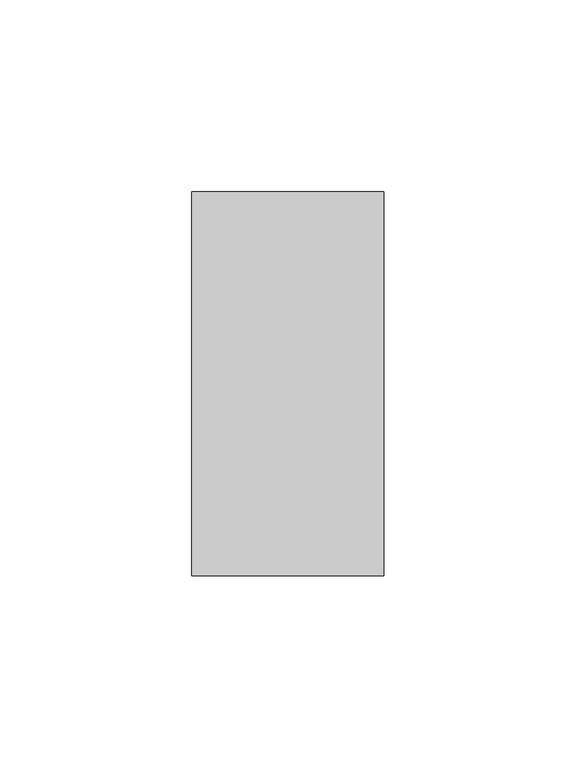
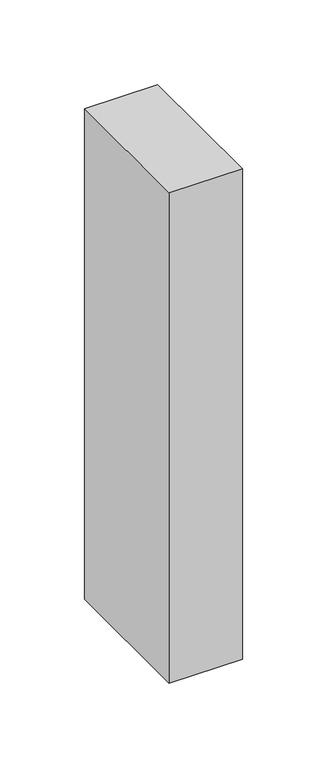
"""IFC4 building model written with IfcOpenShell, lengths in millimetres: member geometry."""

import ifcopenshell
import ifcopenshell.guid

model = None  # the IFC model being written
_history = None  # IfcOwnerHistory: only IFC2X3 demands one
_inside = {}  # id of a spatial element -> (the spatial element, [elements in it])
_under = {}  # id of a project, library or spatial element -> (it, [spatial elements below it])
_declared = {}  # id of a project -> (the project, [libraries it declares])
_typed = {}  # id of a type object -> (the type object, [elements of that type])
_made_of = {}  # id of a material, layer set ... -> (it, [elements and type objects made of it])


def new_model(schema):
    """Start an empty IFC model of exactly this schema.

    Asked for "IFC4X3", IfcOpenShell would pick the latest addendum, in which some entities
    have other attributes; the version numbers below select the first issue.
    IFC2X3 requires an IfcOwnerHistory on every rooted entity: one is made here for all.
    """
    global model, _history
    if schema == "IFC4X3":
        model = ifcopenshell.file(schema_version=(4, 3, 0, 0))
    else:
        model = ifcopenshell.file(schema=schema)
    _inside.clear()
    _under.clear()
    _declared.clear()
    _typed.clear()
    _made_of.clear()
    _history = None
    if model.schema == "IFC2X3":
        org = make("IfcOrganization", Name="unknown")
        user = make(
            "IfcPersonAndOrganization",
            ThePerson=make("IfcPerson", FamilyName="unknown"),
            TheOrganization=org,
        )
        app = make(
            "IfcApplication",
            ApplicationDeveloper=org,
            Version="unknown",
            ApplicationFullName="unknown",
            ApplicationIdentifier="unknown",
        )
        _history = make(
            "IfcOwnerHistory",
            OwningUser=user,
            OwningApplication=app,
            ChangeAction="ADDED",
            CreationDate=0,
        )
    return model


def make(cls, **values):
    """One entity of the class cls with the attributes given. An attribute that is None is left unset."""
    return model.create_entity(
        cls, **{name: value for name, value in values.items() if value is not None}
    )


def rooted(cls, **values):
    """An entity with a GlobalId (a new one), such as an element, a storey or a relation."""
    return make(cls, GlobalId=ifcopenshell.guid.new(), OwnerHistory=_history, **values)


def si_unit(unit_type, name, prefix=None):
    """IfcSIUnit, for example si_unit("LENGTHUNIT", "METRE", prefix="MILLI")."""
    return make("IfcSIUnit", UnitType=unit_type, Prefix=prefix, Name=name)


def assignment(units):
    """IfcUnitAssignment: the units of a project."""
    return None if units is None else make("IfcUnitAssignment", Units=units)


def point(xyz):
    """IfcCartesianPoint."""
    return None if xyz is None else make("IfcCartesianPoint", Coordinates=xyz)


def direction(xyz):
    """IfcDirection."""
    return None if xyz is None else make("IfcDirection", DirectionRatios=xyz)


def frame(location, z_axis=None, x_axis=None):
    """IfcAxis2Placement3D, a coordinate frame: its origin and axes. An axis left out is left unset."""
    return make(
        "IfcAxis2Placement3D",
        Location=point(location),
        Axis=direction(z_axis),
        RefDirection=direction(x_axis),
    )


def origin():
    """The frame at (0, 0, 0) with its axes left unset."""
    return frame((0.0, 0.0, 0.0))


def place(relative_to, where):
    """IfcLocalPlacement: puts the frame where relative to a parent placement (None: the world)."""
    return make(
        "IfcLocalPlacement", PlacementRelTo=relative_to, RelativePlacement=where
    )


def context(
    kind, dimensions, precision=None, world=None, true_north=None, identifier=None
):
    """IfcGeometricRepresentationContext, for example the 3D "Model" context."""
    return make(
        "IfcGeometricRepresentationContext",
        ContextIdentifier=identifier,
        ContextType=kind,
        CoordinateSpaceDimension=dimensions,
        Precision=precision,
        WorldCoordinateSystem=world,
        TrueNorth=true_north,
    )


def project(units=None, contexts=None):
    """IfcProject with its units and contexts."""
    return rooted(
        "IfcProject",
        Name="project",
        RepresentationContexts=contexts,
        UnitsInContext=assignment(units),
    )


def spatial(cls, under=None, at=None, **own):
    """A site, building, storey or space (cls), placed at a placement, below another one or the project."""
    s = rooted(cls, ObjectPlacement=at, **own)
    if under is not None:
        _under.setdefault(under.id(), (under, []))[1].append(s)
    return s


def polyline(points):
    """IfcPolyline through the points."""
    return make("IfcPolyline", Points=[point(p) for p in points])


def outline(outer, holes=None, kind="AREA"):
    """IfcArbitraryClosedProfileDef: a profile drawn as a closed curve; with holes, ...WithVoids."""
    if holes is None:
        return make("IfcArbitraryClosedProfileDef", ProfileType=kind, OuterCurve=outer)
    return make(
        "IfcArbitraryProfileDefWithVoids",
        ProfileType=kind,
        OuterCurve=outer,
        InnerCurves=holes,
    )


def extrude(swept, where, along, depth):
    """IfcExtrudedAreaSolid: the profile swept, set in the frame where, extruded along a direction by depth."""
    return make(
        "IfcExtrudedAreaSolid",
        SweptArea=swept,
        Position=where,
        ExtrudedDirection=direction(along),
        Depth=depth,
    )


def shape(context_of_items, identifier, shape_type, items):
    """IfcShapeRepresentation: the items that make up one representation, for example the "Body"."""
    return make(
        "IfcShapeRepresentation",
        ContextOfItems=context_of_items,
        RepresentationIdentifier=identifier,
        RepresentationType=shape_type,
        Items=items,
    )


def source(mapping_origin, context_of_items, identifier, shape_type, items):
    """IfcRepresentationMap: a shape defined once, which mapped items show again and again."""
    return make(
        "IfcRepresentationMap",
        MappingOrigin=mapping_origin,
        MappedRepresentation=shape(context_of_items, identifier, shape_type, items),
    )


def transform(
    local_origin,
    x_axis=None,
    y_axis=None,
    z_axis=None,
    scale=None,
    scale2=None,
    scale3=None,
    uniform=True,
):
    """IfcCartesianTransformationOperator3D, or its non-uniform kind. x_axis, y_axis, z_axis: its Axis1, 2, 3."""
    if uniform:
        return make(
            "IfcCartesianTransformationOperator3D",
            Axis1=direction(x_axis),
            Axis2=direction(y_axis),
            LocalOrigin=point(local_origin),
            Scale=scale,
            Axis3=direction(z_axis),
        )
    return make(
        "IfcCartesianTransformationOperator3DnonUniform",
        Axis1=direction(x_axis),
        Axis2=direction(y_axis),
        LocalOrigin=point(local_origin),
        Scale=scale,
        Axis3=direction(z_axis),
        Scale2=scale2,
        Scale3=scale3,
    )


def mapped(mapping_source, mapping_target):
    """IfcMappedItem: shows the shape of a source again, moved by a transform."""
    return make(
        "IfcMappedItem", MappingSource=mapping_source, MappingTarget=mapping_target
    )


def made_of(thing, what):
    """Note that an element or type object is made of a material, layer set ...; save() writes the relation."""
    if what is not None:
        _made_of.setdefault(what.id(), (what, []))[1].append(thing)
    return thing


def element(
    cls,
    number,
    at=None,
    inside=None,
    cuts=None,
    type_object=None,
    material=None,
    context=None,
    identifier="Body",
    shape_type=None,
    held_by="IfcProductDefinitionShape",
    body=None,
    shapes=None,
    **own,
):
    """One element of the class cls, such as IfcWall. Its Tag is "e" and its number.

    at: its placement. inside: the storey or other place that contains it. cuts: it is an
    opening in that element (IfcRelVoidsElement). A single representation is given by context,
    identifier, shape_type and body (its items); several are given by shapes. held_by: the class
    of the entity that holds the representations. save() writes the other relations.
    """
    e = rooted(cls, Tag="e%d" % number, ObjectPlacement=at, **own)
    if body is not None:
        shapes = [shape(context, identifier, shape_type, body)]
    if shapes is not None:
        e.Representation = make(held_by, Representations=shapes)
    if inside is not None:
        _inside.setdefault(inside.id(), (inside, []))[1].append(e)
    if cuts is not None:
        rooted(
            "IfcRelVoidsElement", RelatingBuildingElement=cuts, RelatedOpeningElement=e
        )
    if type_object is not None:
        _typed.setdefault(type_object.id(), (type_object, []))[1].append(e)
    return made_of(e, material)


def aggregate(whole, parts):
    """IfcRelAggregates: a whole, such as a stair, and the parts it consists of."""
    return rooted("IfcRelAggregates", RelatingObject=whole, RelatedObjects=parts)


def save(model, path):
    """Write the relations noted so far, then the file.

    IfcRelAggregates (storeys below a building ...), IfcRelContainedInSpatialStructure (elements
    in a storey), IfcRelDefinesByType, IfcRelAssociatesMaterial and IfcRelDeclares: one each for
    every whole, place, type object, material and project.
    """
    for whole, parts in _under.values():
        aggregate(whole, parts)
    for where, things in _inside.values():
        rooted(
            "IfcRelContainedInSpatialStructure",
            RelatedElements=things,
            RelatingStructure=where,
        )
    for kind, things in _typed.values():
        rooted("IfcRelDefinesByType", RelatedObjects=things, RelatingType=kind)
    for what, things in _made_of.values():
        rooted("IfcRelAssociatesMaterial", RelatedObjects=things, RelatingMaterial=what)
    for by, libraries in _declared.values():
        rooted("IfcRelDeclares", RelatingContext=by, RelatedDefinitions=libraries)
    model.write(path)


def member_b2735bfa(model_context):
    return source(origin(), model_context, "Body", "SweptSolid", [
        extrude(outline(polyline([(0.0, 50.0), (0.0, -50.0), (-50.0, -50.0), (-50.0, 50.0), (0.0, 50.0)])), frame((0.0, 0.0, -353.6842105), z_axis=(0.0, 0.0, 1.0), x_axis=(1.0, 0.0, 0.0)), (0.0, 0.0, 1.0), 353.6842105),
    ])


if __name__ == "__main__":
    model = new_model("IFC4")
    model_context = context("Model", 3, world=origin())
    ifc_project = project(units=[si_unit("LENGTHUNIT", "METRE", prefix="MILLI")], contexts=[model_context])
    site = spatial("IfcSite", under=ifc_project)
    building = spatial("IfcBuilding", under=site)
    placement = place(None, origin())
    member_shape = member_b2735bfa(model_context)
    element("IfcMember", 1, at=placement, inside=building, context=model_context, shape_type="MappedRepresentation", body=[
        mapped(member_shape, transform((0.0, 0.0, 0.0), x_axis=(1.0, 0.0, 0.0), y_axis=(0.0, 1.0, 0.0), z_axis=(0.0, 0.0, 1.0))),
    ])
    save(model, "model.ifc")
